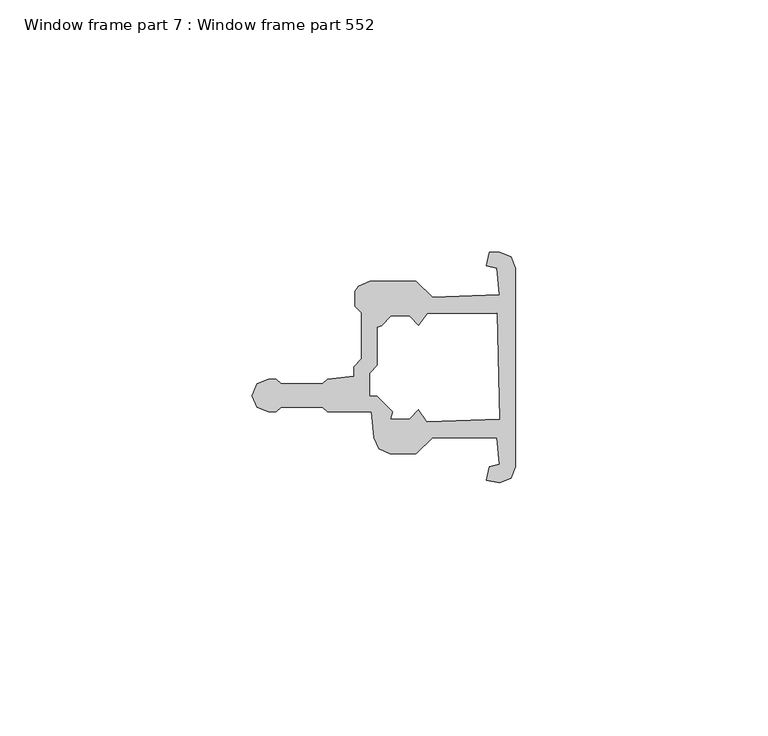
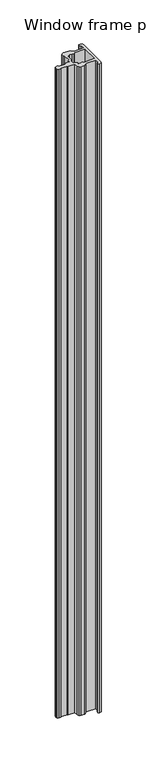
"""IFC4 building model written with IfcOpenShell, lengths in millimetres: proxy geometry, Window frame part 7 : Window frame part 552."""

import ifcopenshell
import ifcopenshell.guid

model = None  # the IFC model being written
_history = None  # IfcOwnerHistory: only IFC2X3 demands one
_inside = {}  # id of a spatial element -> (the spatial element, [elements in it])
_under = {}  # id of a project, library or spatial element -> (it, [spatial elements below it])
_declared = {}  # id of a project -> (the project, [libraries it declares])
_typed = {}  # id of a type object -> (the type object, [elements of that type])
_made_of = {}  # id of a material, layer set ... -> (it, [elements and type objects made of it])


def new_model(schema):
    """Start an empty IFC model of exactly this schema.

    Asked for "IFC4X3", IfcOpenShell would pick the latest addendum, in which some entities
    have other attributes; the version numbers below select the first issue.
    IFC2X3 requires an IfcOwnerHistory on every rooted entity: one is made here for all.
    """
    global model, _history
    if schema == "IFC4X3":
        model = ifcopenshell.file(schema_version=(4, 3, 0, 0))
    else:
        model = ifcopenshell.file(schema=schema)
    _inside.clear()
    _under.clear()
    _declared.clear()
    _typed.clear()
    _made_of.clear()
    _history = None
    if model.schema == "IFC2X3":
        org = make("IfcOrganization", Name="unknown")
        user = make(
            "IfcPersonAndOrganization",
            ThePerson=make("IfcPerson", FamilyName="unknown"),
            TheOrganization=org,
        )
        app = make(
            "IfcApplication",
            ApplicationDeveloper=org,
            Version="unknown",
            ApplicationFullName="unknown",
            ApplicationIdentifier="unknown",
        )
        _history = make(
            "IfcOwnerHistory",
            OwningUser=user,
            OwningApplication=app,
            ChangeAction="ADDED",
            CreationDate=0,
        )
    return model


def make(cls, **values):
    """One entity of the class cls with the attributes given. An attribute that is None is left unset."""
    return model.create_entity(
        cls, **{name: value for name, value in values.items() if value is not None}
    )


def rooted(cls, **values):
    """An entity with a GlobalId (a new one), such as an element, a storey or a relation."""
    return make(cls, GlobalId=ifcopenshell.guid.new(), OwnerHistory=_history, **values)


def si_unit(unit_type, name, prefix=None):
    """IfcSIUnit, for example si_unit("LENGTHUNIT", "METRE", prefix="MILLI")."""
    return make("IfcSIUnit", UnitType=unit_type, Prefix=prefix, Name=name)


def assignment(units):
    """IfcUnitAssignment: the units of a project."""
    return None if units is None else make("IfcUnitAssignment", Units=units)


def point(xyz):
    """IfcCartesianPoint."""
    return None if xyz is None else make("IfcCartesianPoint", Coordinates=xyz)


def direction(xyz):
    """IfcDirection."""
    return None if xyz is None else make("IfcDirection", DirectionRatios=xyz)


def frame(location, z_axis=None, x_axis=None):
    """IfcAxis2Placement3D, a coordinate frame: its origin and axes. An axis left out is left unset."""
    return make(
        "IfcAxis2Placement3D",
        Location=point(location),
        Axis=direction(z_axis),
        RefDirection=direction(x_axis),
    )


def origin():
    """The frame at (0, 0, 0) with its axes left unset."""
    return frame((0.0, 0.0, 0.0))


def place(relative_to, where):
    """IfcLocalPlacement: puts the frame where relative to a parent placement (None: the world)."""
    return make(
        "IfcLocalPlacement", PlacementRelTo=relative_to, RelativePlacement=where
    )


def context(
    kind, dimensions, precision=None, world=None, true_north=None, identifier=None
):
    """IfcGeometricRepresentationContext, for example the 3D "Model" context."""
    return make(
        "IfcGeometricRepresentationContext",
        ContextIdentifier=identifier,
        ContextType=kind,
        CoordinateSpaceDimension=dimensions,
        Precision=precision,
        WorldCoordinateSystem=world,
        TrueNorth=true_north,
    )


def project(units=None, contexts=None):
    """IfcProject with its units and contexts."""
    return rooted(
        "IfcProject",
        Name="project",
        RepresentationContexts=contexts,
        UnitsInContext=assignment(units),
    )


def spatial(cls, under=None, at=None, **own):
    """A site, building, storey or space (cls), placed at a placement, below another one or the project."""
    s = rooted(cls, ObjectPlacement=at, **own)
    if under is not None:
        _under.setdefault(under.id(), (under, []))[1].append(s)
    return s


def polyline(points):
    """IfcPolyline through the points."""
    return make("IfcPolyline", Points=[point(p) for p in points])


def outline(outer, holes=None, kind="AREA"):
    """IfcArbitraryClosedProfileDef: a profile drawn as a closed curve; with holes, ...WithVoids."""
    if holes is None:
        return make("IfcArbitraryClosedProfileDef", ProfileType=kind, OuterCurve=outer)
    return make(
        "IfcArbitraryProfileDefWithVoids",
        ProfileType=kind,
        OuterCurve=outer,
        InnerCurves=holes,
    )


def extrude(swept, where, along, depth):
    """IfcExtrudedAreaSolid: the profile swept, set in the frame where, extruded along a direction by depth."""
    return make(
        "IfcExtrudedAreaSolid",
        SweptArea=swept,
        Position=where,
        ExtrudedDirection=direction(along),
        Depth=depth,
    )


def shape(context_of_items, identifier, shape_type, items):
    """IfcShapeRepresentation: the items that make up one representation, for example the "Body"."""
    return make(
        "IfcShapeRepresentation",
        ContextOfItems=context_of_items,
        RepresentationIdentifier=identifier,
        RepresentationType=shape_type,
        Items=items,
    )


def source(mapping_origin, context_of_items, identifier, shape_type, items):
    """IfcRepresentationMap: a shape defined once, which mapped items show again and again."""
    return make(
        "IfcRepresentationMap",
        MappingOrigin=mapping_origin,
        MappedRepresentation=shape(context_of_items, identifier, shape_type, items),
    )


def transform(
    local_origin,
    x_axis=None,
    y_axis=None,
    z_axis=None,
    scale=None,
    scale2=None,
    scale3=None,
    uniform=True,
):
    """IfcCartesianTransformationOperator3D, or its non-uniform kind. x_axis, y_axis, z_axis: its Axis1, 2, 3."""
    if uniform:
        return make(
            "IfcCartesianTransformationOperator3D",
            Axis1=direction(x_axis),
            Axis2=direction(y_axis),
            LocalOrigin=point(local_origin),
            Scale=scale,
            Axis3=direction(z_axis),
        )
    return make(
        "IfcCartesianTransformationOperator3DnonUniform",
        Axis1=direction(x_axis),
        Axis2=direction(y_axis),
        LocalOrigin=point(local_origin),
        Scale=scale,
        Axis3=direction(z_axis),
        Scale2=scale2,
        Scale3=scale3,
    )


def mapped(mapping_source, mapping_target):
    """IfcMappedItem: shows the shape of a source again, moved by a transform."""
    return make(
        "IfcMappedItem", MappingSource=mapping_source, MappingTarget=mapping_target
    )


def made_of(thing, what):
    """Note that an element or type object is made of a material, layer set ...; save() writes the relation."""
    if what is not None:
        _made_of.setdefault(what.id(), (what, []))[1].append(thing)
    return thing


def element(
    cls,
    number,
    at=None,
    inside=None,
    cuts=None,
    type_object=None,
    material=None,
    context=None,
    identifier="Body",
    shape_type=None,
    held_by="IfcProductDefinitionShape",
    body=None,
    shapes=None,
    **own,
):
    """One element of the class cls, such as IfcWall. Its Tag is "e" and its number.

    at: its placement. inside: the storey or other place that contains it. cuts: it is an
    opening in that element (IfcRelVoidsElement). A single representation is given by context,
    identifier, shape_type and body (its items); several are given by shapes. held_by: the class
    of the entity that holds the representations. save() writes the other relations.
    """
    e = rooted(cls, Tag="e%d" % number, ObjectPlacement=at, **own)
    if body is not None:
        shapes = [shape(context, identifier, shape_type, body)]
    if shapes is not None:
        e.Representation = make(held_by, Representations=shapes)
    if inside is not None:
        _inside.setdefault(inside.id(), (inside, []))[1].append(e)
    if cuts is not None:
        rooted(
            "IfcRelVoidsElement", RelatingBuildingElement=cuts, RelatedOpeningElement=e
        )
    if type_object is not None:
        _typed.setdefault(type_object.id(), (type_object, []))[1].append(e)
    return made_of(e, material)


def aggregate(whole, parts):
    """IfcRelAggregates: a whole, such as a stair, and the parts it consists of."""
    return rooted("IfcRelAggregates", RelatingObject=whole, RelatedObjects=parts)


def save(model, path):
    """Write the relations noted so far, then the file.

    IfcRelAggregates (storeys below a building ...), IfcRelContainedInSpatialStructure (elements
    in a storey), IfcRelDefinesByType, IfcRelAssociatesMaterial and IfcRelDeclares: one each for
    every whole, place, type object, material and project.
    """
    for whole, parts in _under.values():
        aggregate(whole, parts)
    for where, things in _inside.values():
        rooted(
            "IfcRelContainedInSpatialStructure",
            RelatedElements=things,
            RelatingStructure=where,
        )
    for kind, things in _typed.values():
        rooted("IfcRelDefinesByType", RelatedObjects=things, RelatingType=kind)
    for what, things in _made_of.values():
        rooted("IfcRelAssociatesMaterial", RelatedObjects=things, RelatingMaterial=what)
    for by, libraries in _declared.values():
        rooted("IfcRelDeclares", RelatingContext=by, RelatedDefinitions=libraries)
    model.write(path)


def window_frame_part_7_window_frame_part_552_dc87afce(model_context):
    return source(origin(), model_context, "Body", "SweptSolid", [
        extrude(outline(polyline([(37621.7242597, -20681.0360801), (37621.7242597, -20679.0739301), (37623.2564062, -20677.4991301), (37623.2564062, -20668.4140769), (37621.9731907, -20667.1308614), (37621.9731907, -20664.138194), (37622.6541957, -20663.125566), (37624.8992597, -20662.1956301), (37634.0199913, -20662.1956301), (37637.354612, -20665.3198301), (37650.6040597, -20664.8118301), (37650.0960597, -20659.5794301), (37648.0640597, -20659.0714301), (37648.5720597, -20656.4044301), (37650.6040597, -20656.4044301), (37652.8491237, -20657.334366), (37653.7790597, -20659.5794301), (37653.7790597, -20698.9494301), (37652.8491237, -20701.1944941), (37650.6040597, -20702.1244301), (37648.0640597, -20701.6164301), (37648.5720597, -20698.9494301), (37650.6040597, -20698.4414301), (37650.0960597, -20693.2090301), (37637.354612, -20693.2090301), (37634.0199913, -20696.3332301), (37628.9378597, -20696.3332301), (37626.6927957, -20695.4032941), (37625.7628597, -20693.1582301), (37625.2548597, -20688.0845801), (37616.4737708, -20688.0845801), (37615.5212708, -20687.1320801), (37607.2662708, -20687.1320801), (37606.3137708, -20688.0845801), (37604.7897708, -20688.0845801), (37602.4773549, -20687.126746), (37601.5195208, -20684.8143301), (37602.4773549, -20682.5019141), (37604.7897708, -20681.5440801), (37606.312509, -20681.5440801), (37607.265009, -20682.4965801), (37615.5212708, -20682.4965801), (37616.4737708, -20681.5440801), (37621.7242597, -20681.0360801)]), holes=[polyline([(37629.1241263, -20669.1489987), (37627.3280755, -20670.9450495), (37626.4314062, -20671.2745974), (37626.4314062, -20678.7887988), (37624.8992597, -20680.3635988), (37624.8992597, -20684.9095801), (37626.3216597, -20684.9095801), (37629.4966597, -20688.0845801), (37629.1241263, -20689.3798617), (37632.7117579, -20689.3798617), (37634.5089263, -20687.5826933), (37636.2575933, -20690.0340301), (37650.6040597, -20689.5260301), (37650.0960597, -20668.4948301), (37636.3585168, -20668.5924086), (37634.5100439, -20670.9450495), (37632.7139931, -20669.1489987), (37629.1241263, -20669.1489987)])]), frame((0.0, 0.0, 910.5119968), z_axis=(0.0, 0.0, 1.0), x_axis=(1.0, 0.0, 0.0)), (0.0, 0.0, 1.0), 914.4),
    ])


if __name__ == "__main__":
    model = new_model("IFC4")
    model_context = context("Model", 3, world=origin())
    ifc_project = project(units=[si_unit("LENGTHUNIT", "METRE", prefix="MILLI")], contexts=[model_context])
    site = spatial("IfcSite", under=ifc_project)
    building = spatial("IfcBuilding", under=site)
    placement = place(None, origin())
    window_frame_part_7_window_frame_part_552_shape = window_frame_part_7_window_frame_part_552_dc87afce(model_context)
    element("IfcBuildingElementProxy", 1, Name="Window frame part 7 : Window frame part 552", ObjectType="Window frame part 7 : Window frame part 552", at=placement, inside=building, context=model_context, shape_type="MappedRepresentation", body=[
        mapped(window_frame_part_7_window_frame_part_552_shape, transform((0.0, 0.0, 0.0), x_axis=(1.0, 0.0, 0.0), y_axis=(0.0, 1.0, 0.0), z_axis=(0.0, 0.0, 1.0))),
    ])
    save(model, "model.ifc")
